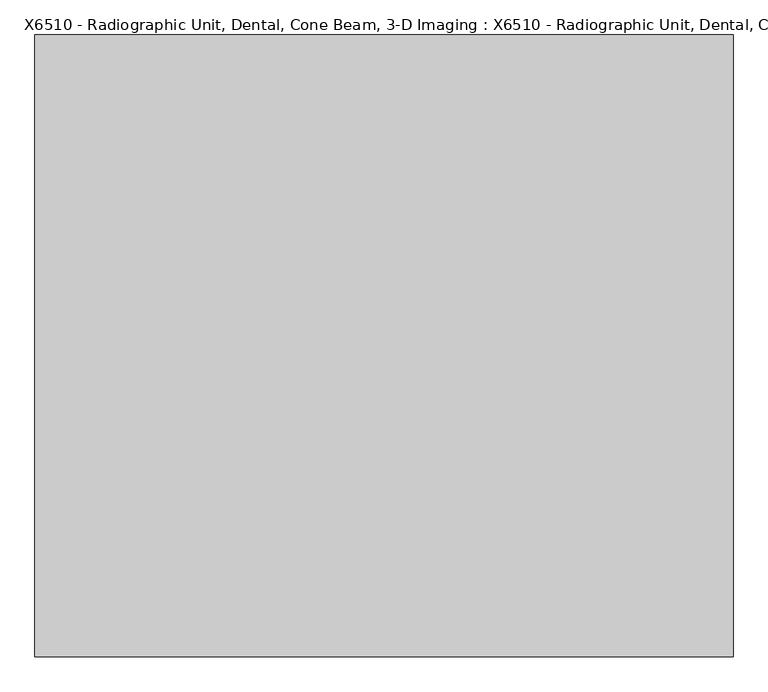
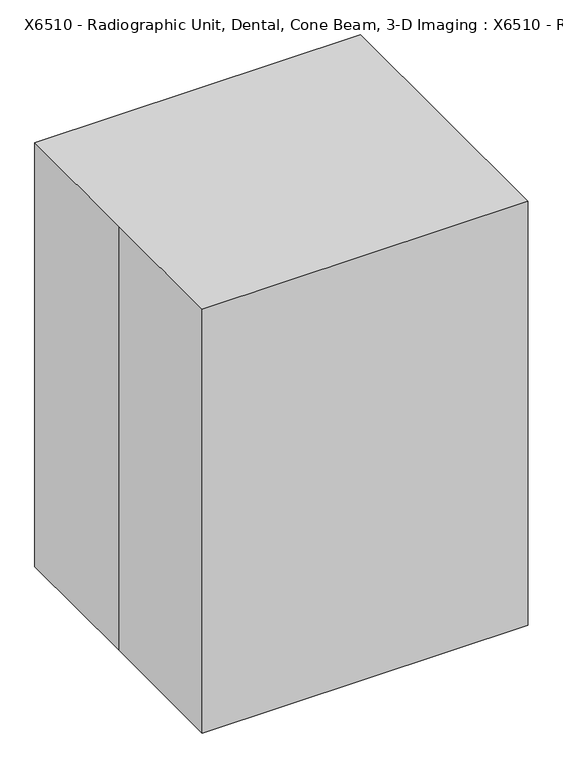
"""IFC4 building model written with IfcOpenShell, lengths in millimetres: proxy geometry, X6510 - Radiographic Unit, Dental, Cone Beam, 3-D Imaging : X6510 - Radiographic Unit, Dental, Cone Beam, 3-D Imaging."""

from ifc_helpers import new_model, si_unit, point, frame, frame_2d, origin, origin_with_axes, place, context, project, spatial, polyline, circle_curve, trimmed, segment, composite_curve, outline, extrude, source, transform, mapped, element, save


def x6510_radiographic_unit_dental_cone_beam_3_d_imaging_x6510_5ab47b50(model_context):
    return source(origin(), model_context, "Body", "SweptSolid", [
        extrude(outline(polyline([(178.0903289, 963.09198), (178.0903289, 658.29198), (101.8903289, 658.29198), (101.8903289, 886.89198), (-228.3096711, 886.89198), (-228.3096711, 963.09198), (178.0903289, 963.09198)])), frame((-292.7334291, 0.0, 0.0), z_axis=(1.0, 0.0, 0.0), x_axis=(0.0, 1.0, 0.0)), (0.0, 0.0, 1.0), 52.0668582),
        extrude(outline(polyline([(178.0903289, 963.09198), (178.0903289, 658.29198), (101.8903289, 658.29198), (101.8903289, 886.89198), (-228.3096711, 886.89198), (-228.3096711, 963.09198), (178.0903289, 963.09198)])), frame((240.6665709, 0.0, 0.0), z_axis=(1.0, 0.0, 0.0), x_axis=(0.0, 1.0, 0.0)), (0.0, 0.0, 1.0), 55.7916128),
        extrude(outline(composite_curve([segment(trimmed(circle_curve(frame_2d((-0.6135895, 76.2)), 152.4), [point((-153.0135895, 76.2))], [point((151.7864105, 76.2))], False, "CARTESIAN"), True, "CONTINUOUS"), segment(trimmed(circle_curve(frame_2d((-0.6135895, 76.2)), 152.4), [point((151.7864105, 76.2))], [point((-153.0135895, 76.2))], False, "CARTESIAN"), True, "CONTINUOUS")], self_intersect=False)), frame((0.0, 0.0, 101.6), z_axis=(0.0, 0.0, 1.0), x_axis=(1.0, 0.0, 0.0)), (0.0, 0.0, 1.0), 556.69198),
        extrude(outline(polyline([(-389.0886204, 132.4077326), (-587.7516592, 193.1451188), (-572.8991766, 241.7254004), (-455.5928432, 205.8612552), (-288.6985003, 751.7480536), (314.8123695, 751.7480536), (426.4735529, 1235.4057755), (521.5656481, 1213.4520355), (393.3968503, 658.29198), (-228.3096711, 658.29198), (-389.0886204, 132.4077326)])), frame((-240.6665709, 0.0, 0.0), z_axis=(1.0, 0.0, 0.0), x_axis=(0.0, 1.0, 0.0)), (0.0, 0.0, 1.0), 481.3331418),
        extrude(outline(polyline([(1905.6637062, 570.8864105), (1905.6637062, -572.1135895), (1448.4637062, -572.1135895), (1448.4637062, -368.9135895), (1473.8637062, -368.9135895), (1527.7452429, -315.0320528), (1603.9452429, -315.0320528), (1657.8267796, -368.9135895), (1804.0637062, -368.9135895), (1804.0637062, 418.4864105), (1448.4637062, 418.4864105), (1448.4637062, 570.8864105), (1905.6637062, 570.8864105)])), frame((0.0, 0.0, 0.0), z_axis=(0.0, 1.0, 0.0), x_axis=(0.0, 0.0, 1.0)), (0.0, 0.0, 1.0), 410.7434845),
        extrude(outline(polyline([(-657.225, -184.15), (-657.225, 120.65), (657.225, 120.65), (657.225, -184.15), (-657.225, -184.15)])), origin_with_axes(), (0.0, 0.0, 1.0), 101.6),
        extrude(outline(polyline([(2079.625, 809.625), (2079.625, -809.625), (0.0, -809.625), (0.0, 809.625), (2079.625, 809.625)]), holes=[polyline([(1978.025, 657.225), (101.6, 657.225), (101.6, -657.225), (1978.025, -657.225), (1978.025, 657.225)])]), frame((0.0, 120.65, 0.0), z_axis=(0.0, 1.0, 0.0), x_axis=(0.0, 0.0, 1.0)), (0.0, 0.0, 1.0), 304.8),
        extrude(outline(polyline([(-812.8, 723.9), (812.8, 723.9), (812.8, -723.9), (-812.8, -723.9), (-812.8, 0.0), (-812.8, 723.9)])), origin_with_axes(), (0.0, 0.0, 1.0), 2235.2),
    ])


if __name__ == "__main__":
    model = new_model("IFC4")
    model_context = context("Model", 3, world=origin())
    ifc_project = project(units=[si_unit("LENGTHUNIT", "METRE", prefix="MILLI")], contexts=[model_context])
    site = spatial("IfcSite", under=ifc_project)
    building = spatial("IfcBuilding", under=site)
    placement = place(None, origin())
    x6510_radiographic_unit_dental_cone_beam_3_d_imaging_x6510_shape = x6510_radiographic_unit_dental_cone_beam_3_d_imaging_x6510_5ab47b50(model_context)
    element("IfcBuildingElementProxy", 1, Name="X6510 - Radiographic Unit, Dental, Cone Beam, 3-D Imaging : X6510 - Radiographic Unit, Dental, Cone Beam, 3-D Imaging", ObjectType="X6510 - Radiographic Unit, Dental, Cone Beam, 3-D Imaging : X6510 - Radiographic Unit, Dental, Cone Beam, 3-D Imaging", at=placement, inside=building, context=model_context, shape_type="MappedRepresentation", body=[
        mapped(x6510_radiographic_unit_dental_cone_beam_3_d_imaging_x6510_shape, transform((0.0, 0.0, 0.0), x_axis=(1.0, 0.0, 0.0), y_axis=(0.0, 1.0, 0.0), z_axis=(0.0, 0.0, 1.0))),
    ])
    save(model, "model.ifc")
